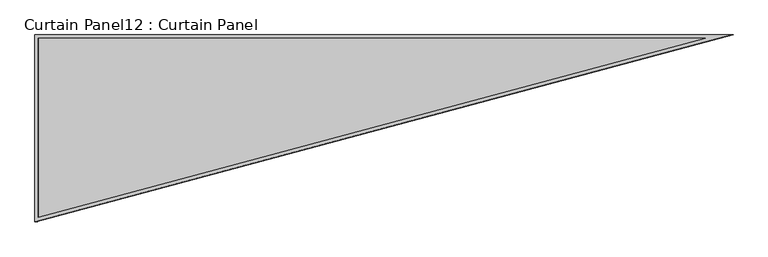
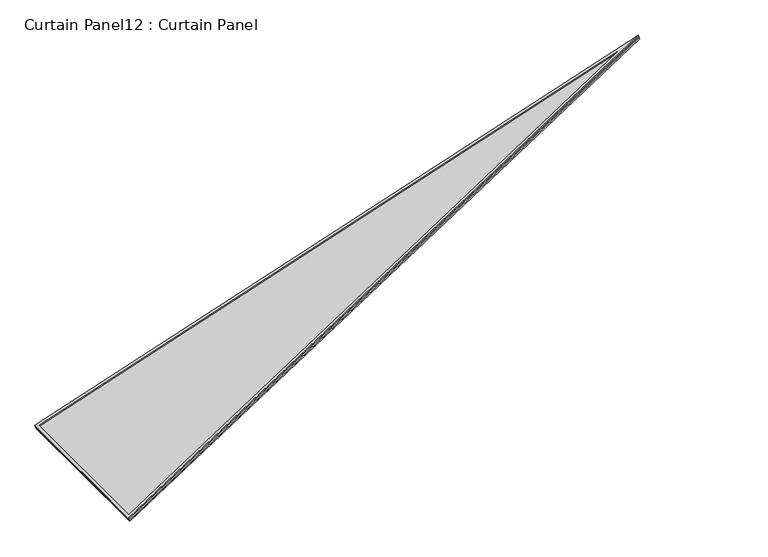
"""IFC4 building model written with IfcOpenShell, lengths in millimetres: plate geometry, Curtain Panel12 : Curtain Panel."""

from ifc_helpers import new_model, si_unit, frame, origin, place, context, project, spatial, polyline, outline, extrude, source, transform, mapped, element, save


def curtain_panel12_curtain_panel_deab1a0e(model_context):
    return source(origin(), model_context, "Body", "SweptSolid", [
        extrude(outline(polyline([(898.0792421, 0.0), (898.0792421, -3532.876445), (0.0, 0.0), (898.0792421, 0.0)]), holes=[polyline([(887.7664442, -10.3127978), (13.2623703, -10.3127978), (887.7664442, -3450.4489229), (887.7664442, -10.3127978)])]), frame((5637.0362032, -432.363034, 881.9772337), z_axis=(-0.3161458239738085, 0.0, 0.9487106081329131), x_axis=(0.0, 1.0, 0.0)), (0.0, 0.0, 1.0), 4.8069561),
        extrude(outline(polyline([(898.0792421, 0.0), (898.0792421, -3532.876445), (0.0, 0.0), (898.0792421, 0.0)]), holes=[polyline([(881.4164442, -16.6627978), (21.4285394, -16.6627978), (881.4164442, -3399.6950178), (881.4164442, -16.6627978)])]), frame((5631.479252, -432.363034, 898.6528882), z_axis=(-0.3161458239738085, 0.0, 0.9487106081329131), x_axis=(0.0, 1.0, 0.0)), (0.0, 0.0, 1.0), 4.8815782),
        extrude(outline(polyline([(18.0417674, 0.0), (916.1210095, 0.0), (916.1210095, -3532.876445), (18.0417674, 0.0)])), frame((5635.5165041, -450.4048014, 886.5376439), z_axis=(-0.3161458239738053, 0.0, 0.9487106081329142), x_axis=(0.0, 1.0, 0.0)), (0.0, 0.0, 1.0), 12.7702211),
    ])


if __name__ == "__main__":
    model = new_model("IFC4")
    model_context = context("Model", 3, world=origin())
    ifc_project = project(units=[si_unit("LENGTHUNIT", "METRE", prefix="MILLI")], contexts=[model_context])
    site = spatial("IfcSite", under=ifc_project)
    building = spatial("IfcBuilding", under=site)
    placement = place(None, origin())
    curtain_panel12_curtain_panel_shape = curtain_panel12_curtain_panel_deab1a0e(model_context)
    element("IfcPlate", 1, ObjectType="Curtain Panel12 : Curtain Panel", at=placement, inside=building, context=model_context, shape_type="MappedRepresentation", body=[
        mapped(curtain_panel12_curtain_panel_shape, transform((0.0, 0.0, 0.0), x_axis=(1.0, 0.0, 0.0), y_axis=(0.0, 1.0, 0.0), z_axis=(0.0, 0.0, 1.0))),
    ])
    save(model, "model.ifc")
